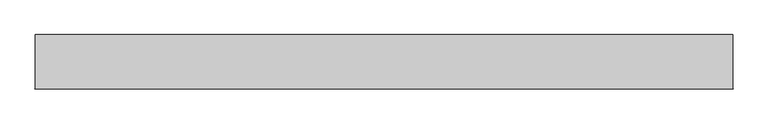
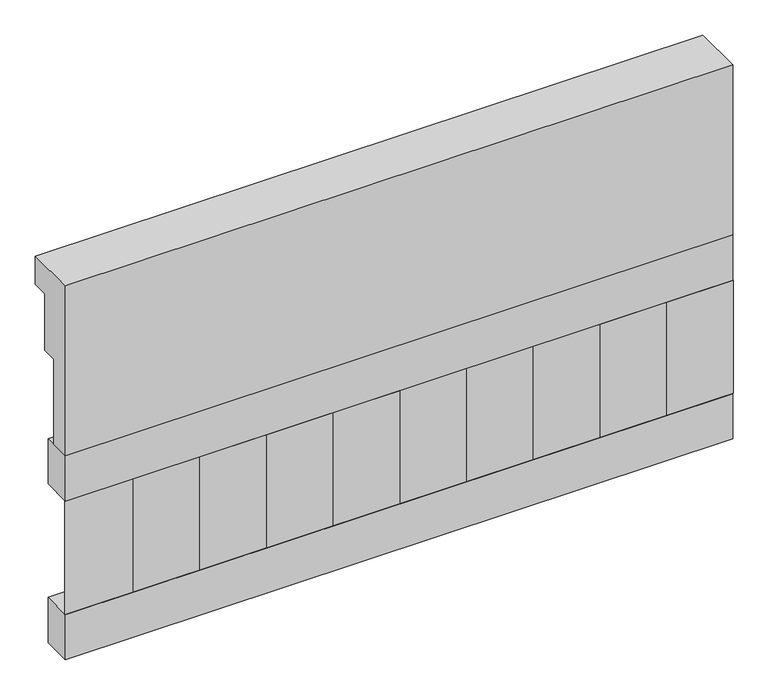
"""IFC4 building model written with IfcOpenShell, lengths in millimetres: railing geometry."""

import ifcopenshell
import ifcopenshell.guid

model = None  # the IFC model being written
_history = None  # IfcOwnerHistory: only IFC2X3 demands one
_inside = {}  # id of a spatial element -> (the spatial element, [elements in it])
_under = {}  # id of a project, library or spatial element -> (it, [spatial elements below it])
_declared = {}  # id of a project -> (the project, [libraries it declares])
_typed = {}  # id of a type object -> (the type object, [elements of that type])
_made_of = {}  # id of a material, layer set ... -> (it, [elements and type objects made of it])


def new_model(schema):
    """Start an empty IFC model of exactly this schema.

    Asked for "IFC4X3", IfcOpenShell would pick the latest addendum, in which some entities
    have other attributes; the version numbers below select the first issue.
    IFC2X3 requires an IfcOwnerHistory on every rooted entity: one is made here for all.
    """
    global model, _history
    if schema == "IFC4X3":
        model = ifcopenshell.file(schema_version=(4, 3, 0, 0))
    else:
        model = ifcopenshell.file(schema=schema)
    _inside.clear()
    _under.clear()
    _declared.clear()
    _typed.clear()
    _made_of.clear()
    _history = None
    if model.schema == "IFC2X3":
        org = make("IfcOrganization", Name="unknown")
        user = make(
            "IfcPersonAndOrganization",
            ThePerson=make("IfcPerson", FamilyName="unknown"),
            TheOrganization=org,
        )
        app = make(
            "IfcApplication",
            ApplicationDeveloper=org,
            Version="unknown",
            ApplicationFullName="unknown",
            ApplicationIdentifier="unknown",
        )
        _history = make(
            "IfcOwnerHistory",
            OwningUser=user,
            OwningApplication=app,
            ChangeAction="ADDED",
            CreationDate=0,
        )
    return model


def make(cls, **values):
    """One entity of the class cls with the attributes given. An attribute that is None is left unset."""
    return model.create_entity(
        cls, **{name: value for name, value in values.items() if value is not None}
    )


def rooted(cls, **values):
    """An entity with a GlobalId (a new one), such as an element, a storey or a relation."""
    return make(cls, GlobalId=ifcopenshell.guid.new(), OwnerHistory=_history, **values)


def si_unit(unit_type, name, prefix=None):
    """IfcSIUnit, for example si_unit("LENGTHUNIT", "METRE", prefix="MILLI")."""
    return make("IfcSIUnit", UnitType=unit_type, Prefix=prefix, Name=name)


def assignment(units):
    """IfcUnitAssignment: the units of a project."""
    return None if units is None else make("IfcUnitAssignment", Units=units)


def point(xyz):
    """IfcCartesianPoint."""
    return None if xyz is None else make("IfcCartesianPoint", Coordinates=xyz)


def direction(xyz):
    """IfcDirection."""
    return None if xyz is None else make("IfcDirection", DirectionRatios=xyz)


def frame(location, z_axis=None, x_axis=None):
    """IfcAxis2Placement3D, a coordinate frame: its origin and axes. An axis left out is left unset."""
    return make(
        "IfcAxis2Placement3D",
        Location=point(location),
        Axis=direction(z_axis),
        RefDirection=direction(x_axis),
    )


def origin():
    """The frame at (0, 0, 0) with its axes left unset."""
    return frame((0.0, 0.0, 0.0))


def place(relative_to, where):
    """IfcLocalPlacement: puts the frame where relative to a parent placement (None: the world)."""
    return make(
        "IfcLocalPlacement", PlacementRelTo=relative_to, RelativePlacement=where
    )


def context(
    kind, dimensions, precision=None, world=None, true_north=None, identifier=None
):
    """IfcGeometricRepresentationContext, for example the 3D "Model" context."""
    return make(
        "IfcGeometricRepresentationContext",
        ContextIdentifier=identifier,
        ContextType=kind,
        CoordinateSpaceDimension=dimensions,
        Precision=precision,
        WorldCoordinateSystem=world,
        TrueNorth=true_north,
    )


def project(units=None, contexts=None):
    """IfcProject with its units and contexts."""
    return rooted(
        "IfcProject",
        Name="project",
        RepresentationContexts=contexts,
        UnitsInContext=assignment(units),
    )


def spatial(cls, under=None, at=None, **own):
    """A site, building, storey or space (cls), placed at a placement, below another one or the project."""
    s = rooted(cls, ObjectPlacement=at, **own)
    if under is not None:
        _under.setdefault(under.id(), (under, []))[1].append(s)
    return s


def polyline(points):
    """IfcPolyline through the points."""
    return make("IfcPolyline", Points=[point(p) for p in points])


def outline(outer, holes=None, kind="AREA"):
    """IfcArbitraryClosedProfileDef: a profile drawn as a closed curve; with holes, ...WithVoids."""
    if holes is None:
        return make("IfcArbitraryClosedProfileDef", ProfileType=kind, OuterCurve=outer)
    return make(
        "IfcArbitraryProfileDefWithVoids",
        ProfileType=kind,
        OuterCurve=outer,
        InnerCurves=holes,
    )


def extrude(swept, where, along, depth):
    """IfcExtrudedAreaSolid: the profile swept, set in the frame where, extruded along a direction by depth."""
    return make(
        "IfcExtrudedAreaSolid",
        SweptArea=swept,
        Position=where,
        ExtrudedDirection=direction(along),
        Depth=depth,
    )


def shape(context_of_items, identifier, shape_type, items):
    """IfcShapeRepresentation: the items that make up one representation, for example the "Body"."""
    return make(
        "IfcShapeRepresentation",
        ContextOfItems=context_of_items,
        RepresentationIdentifier=identifier,
        RepresentationType=shape_type,
        Items=items,
    )


def source(mapping_origin, context_of_items, identifier, shape_type, items):
    """IfcRepresentationMap: a shape defined once, which mapped items show again and again."""
    return make(
        "IfcRepresentationMap",
        MappingOrigin=mapping_origin,
        MappedRepresentation=shape(context_of_items, identifier, shape_type, items),
    )


def transform(
    local_origin,
    x_axis=None,
    y_axis=None,
    z_axis=None,
    scale=None,
    scale2=None,
    scale3=None,
    uniform=True,
):
    """IfcCartesianTransformationOperator3D, or its non-uniform kind. x_axis, y_axis, z_axis: its Axis1, 2, 3."""
    if uniform:
        return make(
            "IfcCartesianTransformationOperator3D",
            Axis1=direction(x_axis),
            Axis2=direction(y_axis),
            LocalOrigin=point(local_origin),
            Scale=scale,
            Axis3=direction(z_axis),
        )
    return make(
        "IfcCartesianTransformationOperator3DnonUniform",
        Axis1=direction(x_axis),
        Axis2=direction(y_axis),
        LocalOrigin=point(local_origin),
        Scale=scale,
        Axis3=direction(z_axis),
        Scale2=scale2,
        Scale3=scale3,
    )


def mapped(mapping_source, mapping_target):
    """IfcMappedItem: shows the shape of a source again, moved by a transform."""
    return make(
        "IfcMappedItem", MappingSource=mapping_source, MappingTarget=mapping_target
    )


def made_of(thing, what):
    """Note that an element or type object is made of a material, layer set ...; save() writes the relation."""
    if what is not None:
        _made_of.setdefault(what.id(), (what, []))[1].append(thing)
    return thing


def element(
    cls,
    number,
    at=None,
    inside=None,
    cuts=None,
    type_object=None,
    material=None,
    context=None,
    identifier="Body",
    shape_type=None,
    held_by="IfcProductDefinitionShape",
    body=None,
    shapes=None,
    **own,
):
    """One element of the class cls, such as IfcWall. Its Tag is "e" and its number.

    at: its placement. inside: the storey or other place that contains it. cuts: it is an
    opening in that element (IfcRelVoidsElement). A single representation is given by context,
    identifier, shape_type and body (its items); several are given by shapes. held_by: the class
    of the entity that holds the representations. save() writes the other relations.
    """
    e = rooted(cls, Tag="e%d" % number, ObjectPlacement=at, **own)
    if body is not None:
        shapes = [shape(context, identifier, shape_type, body)]
    if shapes is not None:
        e.Representation = make(held_by, Representations=shapes)
    if inside is not None:
        _inside.setdefault(inside.id(), (inside, []))[1].append(e)
    if cuts is not None:
        rooted(
            "IfcRelVoidsElement", RelatingBuildingElement=cuts, RelatedOpeningElement=e
        )
    if type_object is not None:
        _typed.setdefault(type_object.id(), (type_object, []))[1].append(e)
    return made_of(e, material)


def aggregate(whole, parts):
    """IfcRelAggregates: a whole, such as a stair, and the parts it consists of."""
    return rooted("IfcRelAggregates", RelatingObject=whole, RelatedObjects=parts)


def save(model, path):
    """Write the relations noted so far, then the file.

    IfcRelAggregates (storeys below a building ...), IfcRelContainedInSpatialStructure (elements
    in a storey), IfcRelDefinesByType, IfcRelAssociatesMaterial and IfcRelDeclares: one each for
    every whole, place, type object, material and project.
    """
    for whole, parts in _under.values():
        aggregate(whole, parts)
    for where, things in _inside.values():
        rooted(
            "IfcRelContainedInSpatialStructure",
            RelatedElements=things,
            RelatingStructure=where,
        )
    for kind, things in _typed.values():
        rooted("IfcRelDefinesByType", RelatedObjects=things, RelatingType=kind)
    for what, things in _made_of.values():
        rooted("IfcRelAssociatesMaterial", RelatedObjects=things, RelatingMaterial=what)
    for by, libraries in _declared.values():
        rooted("IfcRelDeclares", RelatingContext=by, RelatedDefinitions=libraries)
    model.write(path)


def railing_fa76bfe2(model_context):
    return source(origin(), model_context, "Body", "SweptSolid", [
        extrude(outline(polyline([(903.1079487, 18500.0), (1033.1079487, 18500.0), (1033.1079487, 18425.0), (993.1079487, 18425.0), (993.1079487, 18275.0), (953.1079487, 18275.0), (953.1079487, 18050.0), (903.1079487, 18050.0), (903.1079487, 18500.0)])), frame((-22709.9887159, 0.0, 0.0), z_axis=(1.0, 0.0, 0.0), x_axis=(0.0, 1.0, 0.0)), (0.0, 0.0, 1.0), 1670.0),
        extrude(outline(polyline([(-21039.9887159, 978.1079487), (-21039.9887159, 903.1079487), (-22709.9887159, 903.1079487), (-22709.9887159, 978.1079487), (-21039.9887159, 978.1079487)])), frame((0.0, 0.0, 17930.0), z_axis=(0.0, 0.0, 1.0), x_axis=(1.0, 0.0, 0.0)), (0.0, 0.0, 1.0), 120.0),
        extrude(outline(polyline([(-21039.9887159, 978.1079487), (-21039.9887159, 903.1079487), (-22709.9887159, 903.1079487), (-22709.9887159, 978.1079487), (-21039.9887159, 978.1079487)])), frame((0.0, 0.0, 17510.0), z_axis=(0.0, 0.0, 1.0), x_axis=(1.0, 0.0, 0.0)), (0.0, 0.0, 1.0), 120.0),
        extrude(outline(polyline([(-22626.4887159, 987.9607624), (-22541.6359022, 903.1079487), (-22711.3415296, 903.1079487), (-22626.4887159, 987.9607624)])), frame((0.0, 0.0, 17630.0), z_axis=(0.0, 0.0, 1.0), x_axis=(1.0, 0.0, 0.0)), (0.0, 0.0, 1.0), 300.0),
        extrude(outline(polyline([(-22459.4887159, 987.9607624), (-22374.6359022, 903.1079487), (-22544.3415296, 903.1079487), (-22459.4887159, 987.9607624)])), frame((0.0, 0.0, 17630.0), z_axis=(0.0, 0.0, 1.0), x_axis=(1.0, 0.0, 0.0)), (0.0, 0.0, 1.0), 300.0),
        extrude(outline(polyline([(-22292.4887159, 987.9607624), (-22207.6359022, 903.1079487), (-22377.3415296, 903.1079487), (-22292.4887159, 987.9607624)])), frame((0.0, 0.0, 17630.0), z_axis=(0.0, 0.0, 1.0), x_axis=(1.0, 0.0, 0.0)), (0.0, 0.0, 1.0), 300.0),
        extrude(outline(polyline([(-22125.4887159, 987.9607624), (-22040.6359022, 903.1079487), (-22210.3415296, 903.1079487), (-22125.4887159, 987.9607624)])), frame((0.0, 0.0, 17630.0), z_axis=(0.0, 0.0, 1.0), x_axis=(1.0, 0.0, 0.0)), (0.0, 0.0, 1.0), 300.0),
        extrude(outline(polyline([(-21958.4887159, 987.9607624), (-21873.6359022, 903.1079487), (-22043.3415296, 903.1079487), (-21958.4887159, 987.9607624)])), frame((0.0, 0.0, 17630.0), z_axis=(0.0, 0.0, 1.0), x_axis=(1.0, 0.0, 0.0)), (0.0, 0.0, 1.0), 300.0),
        extrude(outline(polyline([(-21791.4887159, 987.9607624), (-21706.6359022, 903.1079487), (-21876.3415296, 903.1079487), (-21791.4887159, 987.9607624)])), frame((0.0, 0.0, 17630.0), z_axis=(0.0, 0.0, 1.0), x_axis=(1.0, 0.0, 0.0)), (0.0, 0.0, 1.0), 300.0),
        extrude(outline(polyline([(-21624.4887159, 987.9607624), (-21539.6359022, 903.1079487), (-21709.3415296, 903.1079487), (-21624.4887159, 987.9607624)])), frame((0.0, 0.0, 17630.0), z_axis=(0.0, 0.0, 1.0), x_axis=(1.0, 0.0, 0.0)), (0.0, 0.0, 1.0), 300.0),
        extrude(outline(polyline([(-21457.4887159, 987.9607624), (-21372.6359022, 903.1079487), (-21542.3415296, 903.1079487), (-21457.4887159, 987.9607624)])), frame((0.0, 0.0, 17630.0), z_axis=(0.0, 0.0, 1.0), x_axis=(1.0, 0.0, 0.0)), (0.0, 0.0, 1.0), 300.0),
        extrude(outline(polyline([(-21290.4887159, 987.9607624), (-21205.6359022, 903.1079487), (-21375.3415296, 903.1079487), (-21290.4887159, 987.9607624)])), frame((0.0, 0.0, 17630.0), z_axis=(0.0, 0.0, 1.0), x_axis=(1.0, 0.0, 0.0)), (0.0, 0.0, 1.0), 300.0),
        extrude(outline(polyline([(-21123.4887159, 987.9607624), (-21038.6359022, 903.1079487), (-21208.3415296, 903.1079487), (-21123.4887159, 987.9607624)])), frame((0.0, 0.0, 17630.0), z_axis=(0.0, 0.0, 1.0), x_axis=(1.0, 0.0, 0.0)), (0.0, 0.0, 1.0), 300.0),
    ])


if __name__ == "__main__":
    model = new_model("IFC4")
    model_context = context("Model", 3, world=origin())
    ifc_project = project(units=[si_unit("LENGTHUNIT", "METRE", prefix="MILLI")], contexts=[model_context])
    site = spatial("IfcSite", under=ifc_project)
    building = spatial("IfcBuilding", under=site)
    placement = place(None, origin())
    railing_shape = railing_fa76bfe2(model_context)
    element("IfcRailing", 1, at=placement, inside=building, context=model_context, shape_type="MappedRepresentation", body=[
        mapped(railing_shape, transform((0.0, 0.0, 0.0), x_axis=(1.0, 0.0, 0.0), y_axis=(0.0, 1.0, 0.0), z_axis=(0.0, 0.0, 1.0))),
    ])
    save(model, "model.ifc")
